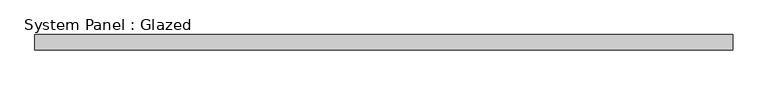
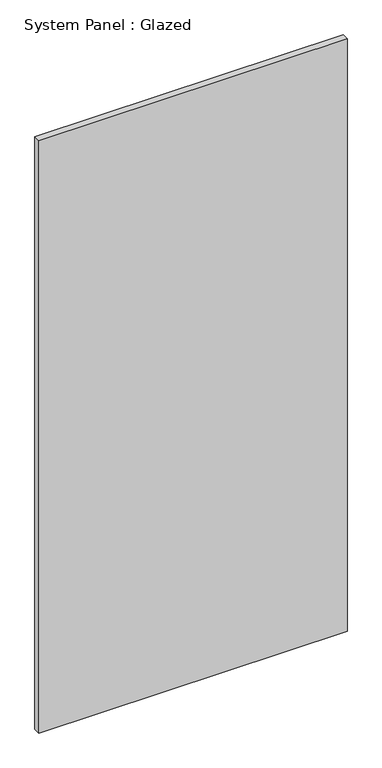
"""IFC4 building model written with IfcOpenShell, lengths in millimetres: plate geometry, System Panel : Glazed."""

from ifc_helpers import new_model, si_unit, origin, origin_with_axes, place, context, project, spatial, polyline, outline, extrude, source, transform, mapped, element, save


def system_panel_glazed_dcdc24c7(model_context):
    return source(origin(), model_context, "Body", "SweptSolid", [
        extrude(outline(polyline([(576.6396969, 19.05), (-576.6396969, 19.05), (-576.6396969, 44.45), (576.6396969, 44.45), (576.6396969, 19.05)])), origin_with_axes(), (0.0, 0.0, 1.0), 2343.15),
    ])


if __name__ == "__main__":
    model = new_model("IFC4")
    model_context = context("Model", 3, world=origin())
    ifc_project = project(units=[si_unit("LENGTHUNIT", "METRE", prefix="MILLI")], contexts=[model_context])
    site = spatial("IfcSite", under=ifc_project)
    building = spatial("IfcBuilding", under=site)
    placement = place(None, origin())
    system_panel_glazed_shape = system_panel_glazed_dcdc24c7(model_context)
    element("IfcPlate", 1, ObjectType="System Panel : Glazed", at=placement, inside=building, context=model_context, shape_type="MappedRepresentation", body=[
        mapped(system_panel_glazed_shape, transform((0.0, 0.0, 0.0), x_axis=(1.0, 0.0, 0.0), y_axis=(0.0, 1.0, 0.0), z_axis=(0.0, 0.0, 1.0))),
    ])
    save(model, "model.ifc")
